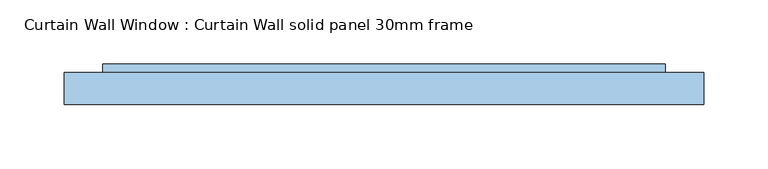
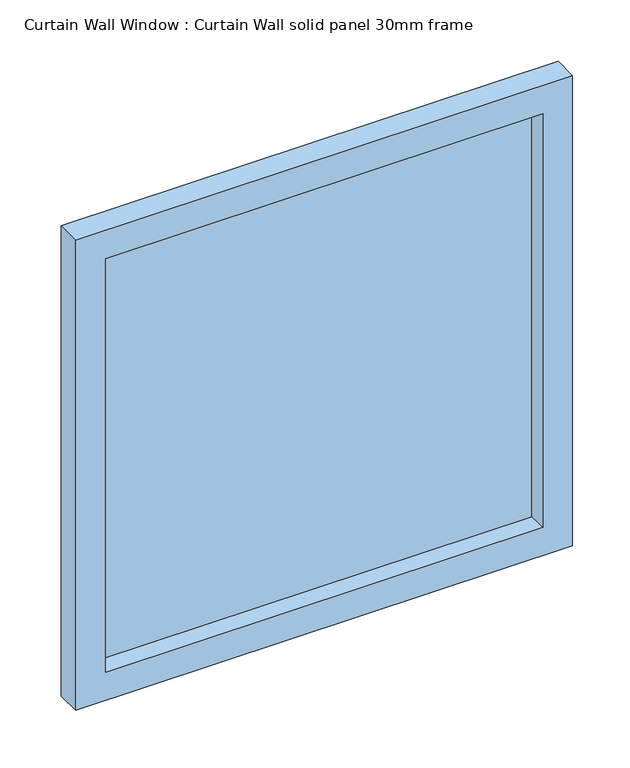
"""IFC4 building model written with IfcOpenShell, lengths in millimetres: window geometry, Curtain Wall Window : Curtain Wall solid panel 30mm frame."""

from ifc_helpers import new_model, si_unit, frame, origin, place, context, project, spatial, polyline, outline, extrude, source, transform, mapped, element, save


def curtain_wall_window_curtain_wall_solid_panel_30mm_frame_b7f2ff16(model_context):
    return source(origin(), model_context, "Body", "SweptSolid", [
        extrude(outline(polyline([(219.5000232, 19.05), (-219.5000232, 19.05), (-219.5000232, 31.75), (219.5000232, 31.75), (219.5000232, 19.05)])), frame((0.0, 0.0, 30.0), z_axis=(0.0, 0.0, 1.0), x_axis=(1.0, 0.0, 0.0)), (0.0, 0.0, 1.0), 438.9997052),
        extrude(outline(polyline([(498.9997052, -249.5000232), (0.0, -249.5000232), (0.0, 249.5000232), (498.9997052, 249.5000232), (498.9997052, -249.5000232)]), holes=[polyline([(468.9997052, -219.5000232), (468.9997052, 219.5000232), (30.0, 219.5000232), (30.0, -219.5000232), (468.9997052, -219.5000232)])]), frame((0.0, 0.0, 0.0), z_axis=(0.0, 1.0, 0.0), x_axis=(0.0, 0.0, 1.0)), (0.0, 0.0, 1.0), 25.0),
    ])


if __name__ == "__main__":
    model = new_model("IFC4")
    model_context = context("Model", 3, world=origin())
    ifc_project = project(units=[si_unit("LENGTHUNIT", "METRE", prefix="MILLI")], contexts=[model_context])
    site = spatial("IfcSite", under=ifc_project)
    building = spatial("IfcBuilding", under=site)
    placement = place(None, origin())
    curtain_wall_window_curtain_wall_solid_panel_30mm_frame_shape = curtain_wall_window_curtain_wall_solid_panel_30mm_frame_b7f2ff16(model_context)
    element("IfcWindow", 1, ObjectType="Curtain Wall Window : Curtain Wall solid panel 30mm frame", at=placement, inside=building, context=model_context, shape_type="MappedRepresentation", body=[
        mapped(curtain_wall_window_curtain_wall_solid_panel_30mm_frame_shape, transform((0.0, 0.0, 0.0), x_axis=(1.0, 0.0, 0.0), y_axis=(0.0, 1.0, 0.0), z_axis=(0.0, 0.0, 1.0))),
    ])
    save(model, "model.ifc")
